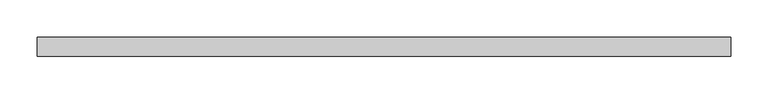
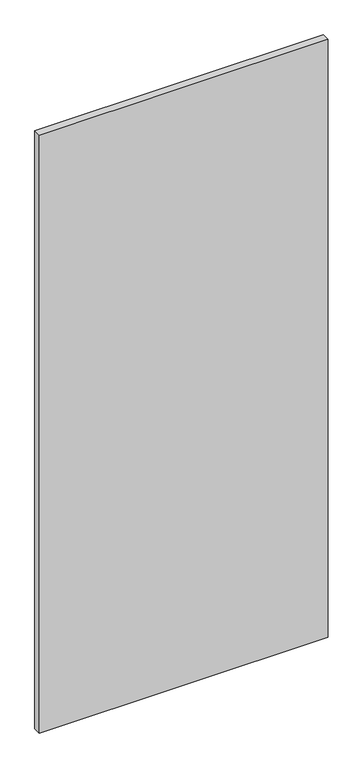
"""IFC4 building model written with IfcOpenShell, lengths in millimetres: plate geometry."""

import ifcopenshell
import ifcopenshell.guid

model = None  # the IFC model being written
_history = None  # IfcOwnerHistory: only IFC2X3 demands one
_inside = {}  # id of a spatial element -> (the spatial element, [elements in it])
_under = {}  # id of a project, library or spatial element -> (it, [spatial elements below it])
_declared = {}  # id of a project -> (the project, [libraries it declares])
_typed = {}  # id of a type object -> (the type object, [elements of that type])
_made_of = {}  # id of a material, layer set ... -> (it, [elements and type objects made of it])


def new_model(schema):
    """Start an empty IFC model of exactly this schema.

    Asked for "IFC4X3", IfcOpenShell would pick the latest addendum, in which some entities
    have other attributes; the version numbers below select the first issue.
    IFC2X3 requires an IfcOwnerHistory on every rooted entity: one is made here for all.
    """
    global model, _history
    if schema == "IFC4X3":
        model = ifcopenshell.file(schema_version=(4, 3, 0, 0))
    else:
        model = ifcopenshell.file(schema=schema)
    _inside.clear()
    _under.clear()
    _declared.clear()
    _typed.clear()
    _made_of.clear()
    _history = None
    if model.schema == "IFC2X3":
        org = make("IfcOrganization", Name="unknown")
        user = make(
            "IfcPersonAndOrganization",
            ThePerson=make("IfcPerson", FamilyName="unknown"),
            TheOrganization=org,
        )
        app = make(
            "IfcApplication",
            ApplicationDeveloper=org,
            Version="unknown",
            ApplicationFullName="unknown",
            ApplicationIdentifier="unknown",
        )
        _history = make(
            "IfcOwnerHistory",
            OwningUser=user,
            OwningApplication=app,
            ChangeAction="ADDED",
            CreationDate=0,
        )
    return model


def make(cls, **values):
    """One entity of the class cls with the attributes given. An attribute that is None is left unset."""
    return model.create_entity(
        cls, **{name: value for name, value in values.items() if value is not None}
    )


def rooted(cls, **values):
    """An entity with a GlobalId (a new one), such as an element, a storey or a relation."""
    return make(cls, GlobalId=ifcopenshell.guid.new(), OwnerHistory=_history, **values)


def si_unit(unit_type, name, prefix=None):
    """IfcSIUnit, for example si_unit("LENGTHUNIT", "METRE", prefix="MILLI")."""
    return make("IfcSIUnit", UnitType=unit_type, Prefix=prefix, Name=name)


def assignment(units):
    """IfcUnitAssignment: the units of a project."""
    return None if units is None else make("IfcUnitAssignment", Units=units)


def point(xyz):
    """IfcCartesianPoint."""
    return None if xyz is None else make("IfcCartesianPoint", Coordinates=xyz)


def direction(xyz):
    """IfcDirection."""
    return None if xyz is None else make("IfcDirection", DirectionRatios=xyz)


def frame(location, z_axis=None, x_axis=None):
    """IfcAxis2Placement3D, a coordinate frame: its origin and axes. An axis left out is left unset."""
    return make(
        "IfcAxis2Placement3D",
        Location=point(location),
        Axis=direction(z_axis),
        RefDirection=direction(x_axis),
    )


def origin():
    """The frame at (0, 0, 0) with its axes left unset."""
    return frame((0.0, 0.0, 0.0))


def origin_with_axes():
    """The frame at (0, 0, 0) with the z axis (0, 0, 1) and the x axis (1, 0, 0) written out."""
    return frame((0.0, 0.0, 0.0), z_axis=(0.0, 0.0, 1.0), x_axis=(1.0, 0.0, 0.0))


def place(relative_to, where):
    """IfcLocalPlacement: puts the frame where relative to a parent placement (None: the world)."""
    return make(
        "IfcLocalPlacement", PlacementRelTo=relative_to, RelativePlacement=where
    )


def context(
    kind, dimensions, precision=None, world=None, true_north=None, identifier=None
):
    """IfcGeometricRepresentationContext, for example the 3D "Model" context."""
    return make(
        "IfcGeometricRepresentationContext",
        ContextIdentifier=identifier,
        ContextType=kind,
        CoordinateSpaceDimension=dimensions,
        Precision=precision,
        WorldCoordinateSystem=world,
        TrueNorth=true_north,
    )


def project(units=None, contexts=None):
    """IfcProject with its units and contexts."""
    return rooted(
        "IfcProject",
        Name="project",
        RepresentationContexts=contexts,
        UnitsInContext=assignment(units),
    )


def spatial(cls, under=None, at=None, **own):
    """A site, building, storey or space (cls), placed at a placement, below another one or the project."""
    s = rooted(cls, ObjectPlacement=at, **own)
    if under is not None:
        _under.setdefault(under.id(), (under, []))[1].append(s)
    return s


def polyline(points):
    """IfcPolyline through the points."""
    return make("IfcPolyline", Points=[point(p) for p in points])


def outline(outer, holes=None, kind="AREA"):
    """IfcArbitraryClosedProfileDef: a profile drawn as a closed curve; with holes, ...WithVoids."""
    if holes is None:
        return make("IfcArbitraryClosedProfileDef", ProfileType=kind, OuterCurve=outer)
    return make(
        "IfcArbitraryProfileDefWithVoids",
        ProfileType=kind,
        OuterCurve=outer,
        InnerCurves=holes,
    )


def extrude(swept, where, along, depth):
    """IfcExtrudedAreaSolid: the profile swept, set in the frame where, extruded along a direction by depth."""
    return make(
        "IfcExtrudedAreaSolid",
        SweptArea=swept,
        Position=where,
        ExtrudedDirection=direction(along),
        Depth=depth,
    )


def shape(context_of_items, identifier, shape_type, items):
    """IfcShapeRepresentation: the items that make up one representation, for example the "Body"."""
    return make(
        "IfcShapeRepresentation",
        ContextOfItems=context_of_items,
        RepresentationIdentifier=identifier,
        RepresentationType=shape_type,
        Items=items,
    )


def source(mapping_origin, context_of_items, identifier, shape_type, items):
    """IfcRepresentationMap: a shape defined once, which mapped items show again and again."""
    return make(
        "IfcRepresentationMap",
        MappingOrigin=mapping_origin,
        MappedRepresentation=shape(context_of_items, identifier, shape_type, items),
    )


def transform(
    local_origin,
    x_axis=None,
    y_axis=None,
    z_axis=None,
    scale=None,
    scale2=None,
    scale3=None,
    uniform=True,
):
    """IfcCartesianTransformationOperator3D, or its non-uniform kind. x_axis, y_axis, z_axis: its Axis1, 2, 3."""
    if uniform:
        return make(
            "IfcCartesianTransformationOperator3D",
            Axis1=direction(x_axis),
            Axis2=direction(y_axis),
            LocalOrigin=point(local_origin),
            Scale=scale,
            Axis3=direction(z_axis),
        )
    return make(
        "IfcCartesianTransformationOperator3DnonUniform",
        Axis1=direction(x_axis),
        Axis2=direction(y_axis),
        LocalOrigin=point(local_origin),
        Scale=scale,
        Axis3=direction(z_axis),
        Scale2=scale2,
        Scale3=scale3,
    )


def mapped(mapping_source, mapping_target):
    """IfcMappedItem: shows the shape of a source again, moved by a transform."""
    return make(
        "IfcMappedItem", MappingSource=mapping_source, MappingTarget=mapping_target
    )


def made_of(thing, what):
    """Note that an element or type object is made of a material, layer set ...; save() writes the relation."""
    if what is not None:
        _made_of.setdefault(what.id(), (what, []))[1].append(thing)
    return thing


def element(
    cls,
    number,
    at=None,
    inside=None,
    cuts=None,
    type_object=None,
    material=None,
    context=None,
    identifier="Body",
    shape_type=None,
    held_by="IfcProductDefinitionShape",
    body=None,
    shapes=None,
    **own,
):
    """One element of the class cls, such as IfcWall. Its Tag is "e" and its number.

    at: its placement. inside: the storey or other place that contains it. cuts: it is an
    opening in that element (IfcRelVoidsElement). A single representation is given by context,
    identifier, shape_type and body (its items); several are given by shapes. held_by: the class
    of the entity that holds the representations. save() writes the other relations.
    """
    e = rooted(cls, Tag="e%d" % number, ObjectPlacement=at, **own)
    if body is not None:
        shapes = [shape(context, identifier, shape_type, body)]
    if shapes is not None:
        e.Representation = make(held_by, Representations=shapes)
    if inside is not None:
        _inside.setdefault(inside.id(), (inside, []))[1].append(e)
    if cuts is not None:
        rooted(
            "IfcRelVoidsElement", RelatingBuildingElement=cuts, RelatedOpeningElement=e
        )
    if type_object is not None:
        _typed.setdefault(type_object.id(), (type_object, []))[1].append(e)
    return made_of(e, material)


def aggregate(whole, parts):
    """IfcRelAggregates: a whole, such as a stair, and the parts it consists of."""
    return rooted("IfcRelAggregates", RelatingObject=whole, RelatedObjects=parts)


def save(model, path):
    """Write the relations noted so far, then the file.

    IfcRelAggregates (storeys below a building ...), IfcRelContainedInSpatialStructure (elements
    in a storey), IfcRelDefinesByType, IfcRelAssociatesMaterial and IfcRelDeclares: one each for
    every whole, place, type object, material and project.
    """
    for whole, parts in _under.values():
        aggregate(whole, parts)
    for where, things in _inside.values():
        rooted(
            "IfcRelContainedInSpatialStructure",
            RelatedElements=things,
            RelatingStructure=where,
        )
    for kind, things in _typed.values():
        rooted("IfcRelDefinesByType", RelatedObjects=things, RelatingType=kind)
    for what, things in _made_of.values():
        rooted("IfcRelAssociatesMaterial", RelatedObjects=things, RelatingMaterial=what)
    for by, libraries in _declared.values():
        rooted("IfcRelDeclares", RelatingContext=by, RelatedDefinitions=libraries)
    model.write(path)


def plate_2c4796f6(model_context):
    return source(origin(), model_context, "Body", "SweptSolid", [
        extrude(outline(polyline([(462.5, -49.5), (-462.5, -49.5), (-462.5, -24.5), (462.5, -24.5), (462.5, -49.5)])), origin_with_axes(), (0.0, 0.0, 1.0), 2025.0),
    ])


if __name__ == "__main__":
    model = new_model("IFC4")
    model_context = context("Model", 3, world=origin())
    ifc_project = project(units=[si_unit("LENGTHUNIT", "METRE", prefix="MILLI")], contexts=[model_context])
    site = spatial("IfcSite", under=ifc_project)
    building = spatial("IfcBuilding", under=site)
    placement = place(None, origin())
    plate_shape = plate_2c4796f6(model_context)
    element("IfcPlate", 1, at=placement, inside=building, context=model_context, shape_type="MappedRepresentation", body=[
        mapped(plate_shape, transform((0.0, 0.0, 0.0), x_axis=(1.0, 0.0, 0.0), y_axis=(0.0, 1.0, 0.0), z_axis=(0.0, 0.0, 1.0))),
    ])
    save(model, "model.ifc")
